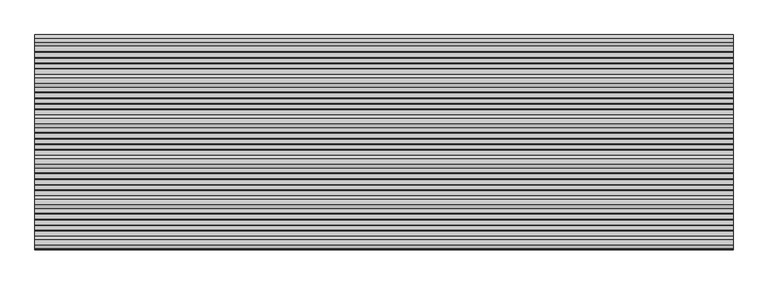
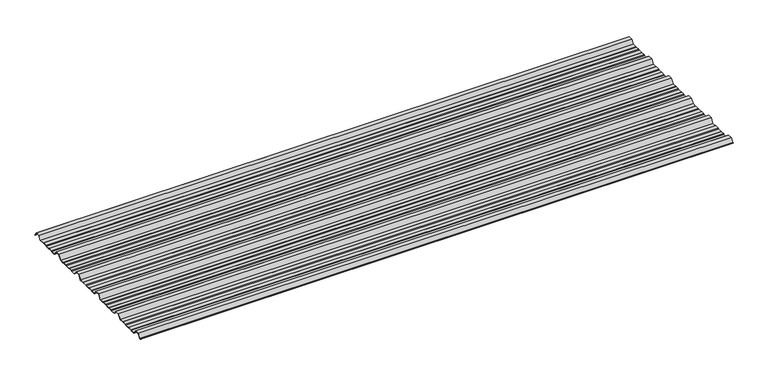
"""IFC4 building model written with IfcOpenShell, lengths in millimetres: beam geometry."""

from ifc_helpers import new_model, si_unit, point, frame, frame_2d, origin, place, context, project, spatial, polyline, circle_curve, trimmed, segment, composite_curve, outline, extrude, source, transform, mapped, element, save


def beam_25413d23(model_context):
    return source(origin(), model_context, "Body", "SweptSolid", [
        extrude(outline(composite_curve([segment(polyline([(-159.5006096, -7.7896475), (-173.0, -25.7896475), (-191.1560825, -25.7896475), (-195.2826844, -23.7896475), (-212.8895196, -23.7896475), (-216.1536836, -25.7896475), (-234.9266573, -25.7896475), (-237.9681158, -23.7896475), (-253.6339196, -23.7896475), (-256.6775615, -25.7896475), (-277.0, -25.7896475), (-290.4993904, -7.7896475), (-309.5006096, -7.7896475), (-323.0, -25.7896475), (-341.1560825, -25.7896475), (-345.2826844, -23.7896475), (-362.8895196, -23.7896475), (-366.1536836, -25.7896475), (-384.9266573, -25.7896475), (-387.9681158, -23.7896475), (-403.6339196, -23.7896475), (-406.6775615, -25.7896475), (-427.0, -25.7896475), (-440.4993904, -7.7896475), (-459.5006096, -7.7896475), (-473.0, -25.7896475), (-491.1560825, -25.7896475), (-495.2826844, -23.7896475), (-512.8895196, -23.7896475), (-516.1536836, -25.7896475), (-534.9266573, -25.7896475), (-537.9681158, -23.7896475), (-553.6339196, -23.7896475), (-556.6775615, -25.7896475), (-577.0, -25.7896475), (-590.4993904, -7.7896475), (-609.5006096, -7.7896475), (-623.0, -25.7896475), (-641.1560825, -25.7896475), (-645.2826844, -23.7896475), (-662.8895196, -23.7896475), (-666.1536836, -25.7896475), (-684.9266573, -25.7896475), (-687.9681158, -23.7896475), (-703.6339196, -23.7896475), (-706.6775615, -25.7896475), (-727.0, -25.7896475), (-740.4993904, -7.7896475), (-759.5006096, -7.7896475), (-771.5000677, -23.7896475), (-775.173385, -23.7896475)]), True, "CONTINUOUS"), segment(trimmed(circle_curve(frame_2d((-775.173385, -23.2896475)), 0.5), [point((-775.173385, -23.7896475))], [point((-775.173385, -22.7896475))], False, "CARTESIAN"), True, "CONTINUOUS"), segment(polyline([(-775.173385, -22.7896475), (-771.9994581, -22.7896475), (-760.0, -6.7896475), (-740.0, -6.7896475), (-726.5006096, -24.7896475), (-706.9767126, -24.7896475), (-703.9330707, -22.7896475), (-687.6687853, -22.7896475), (-684.6273268, -24.7896475), (-666.4356788, -24.7896475), (-663.1715148, -22.7896475), (-645.0531246, -22.7896475), (-640.9265226, -24.7896475), (-623.4993904, -24.7896475), (-610.0, -6.7896475), (-590.0, -6.7896475), (-576.5006096, -24.7896475), (-556.9767126, -24.7896475), (-553.9330707, -22.7896475), (-537.6687853, -22.7896475), (-534.6273268, -24.7896475), (-516.4356788, -24.7896475), (-513.1715148, -22.7896475), (-495.0531246, -22.7896475), (-490.9265226, -24.7896475), (-473.4993904, -24.7896475), (-460.0, -6.7896475), (-440.0, -6.7896475), (-426.5006096, -24.7896475), (-406.9767126, -24.7896475), (-403.9330707, -22.7896475), (-387.6687853, -22.7896475), (-384.6273268, -24.7896475), (-366.4356788, -24.7896475), (-363.1715148, -22.7896475), (-345.0531246, -22.7896475), (-340.9265226, -24.7896475), (-323.4993904, -24.7896475), (-310.0, -6.7896475), (-290.0, -6.7896475), (-276.5006096, -24.7896475), (-256.9767126, -24.7896475), (-253.9330707, -22.7896475), (-237.6687853, -22.7896475), (-234.6273268, -24.7896475), (-216.4356788, -24.7896475), (-213.1715148, -22.7896475), (-195.0531246, -22.7896475), (-190.9265226, -24.7896475), (-173.4993904, -24.7896475), (-160.0, -6.7896475), (-140.0, -6.7896475), (-126.5006096, -24.7896475), (-106.9767126, -24.7896475), (-103.9330707, -22.7896475), (-87.6687853, -22.7896475), (-84.6273268, -24.7896475), (-66.4356788, -24.7896475), (-63.1715148, -22.7896475), (-45.0531246, -22.7896475), (-40.9265226, -24.7896475), (-20.999431, -24.7896475), (-8.9999729, -8.7896475), (8.9999729, -8.7896475), (20.6572433, -24.3333765)]), True, "CONTINUOUS"), segment(trimmed(circle_curve(frame_2d((20.2574362, -24.6332183)), 0.4997507), [point((20.6572433, -24.3333765))], [point((19.8576291, -24.9330601))], False, "CARTESIAN"), True, "CONTINUOUS"), segment(polyline([(19.8576291, -24.9330601), (8.5005825, -9.7896475), (-8.5005825, -9.7896475), (-20.5000406, -25.7896475), (-41.1560825, -25.7896475), (-45.2826844, -23.7896475), (-62.8895196, -23.7896475), (-66.1536836, -25.7896475), (-84.9266573, -25.7896475), (-87.9681158, -23.7896475), (-103.6339196, -23.7896475), (-106.6775615, -25.7896475), (-127.0, -25.7896475), (-140.4993904, -7.7896475), (-159.5006096, -7.7896475)]), True, "CONTINUOUS")], self_intersect=False)), frame((-1291.8858392, 0.0, 0.0), z_axis=(1.0, 0.0, 0.0), x_axis=(0.0, 1.0, 0.0)), (0.0, 0.0, 1.0), 2583.7716785),
    ])


if __name__ == "__main__":
    model = new_model("IFC4")
    model_context = context("Model", 3, world=origin())
    ifc_project = project(units=[si_unit("LENGTHUNIT", "METRE", prefix="MILLI")], contexts=[model_context])
    site = spatial("IfcSite", under=ifc_project)
    building = spatial("IfcBuilding", under=site)
    placement = place(None, origin())
    beam_shape = beam_25413d23(model_context)
    element("IfcBeam", 1, at=placement, inside=building, context=model_context, shape_type="MappedRepresentation", body=[
        mapped(beam_shape, transform((0.0, 0.0, 0.0), x_axis=(1.0, 0.0, 0.0), y_axis=(0.0, 1.0, 0.0), z_axis=(0.0, 0.0, 1.0))),
    ])
    save(model, "model.ifc")
